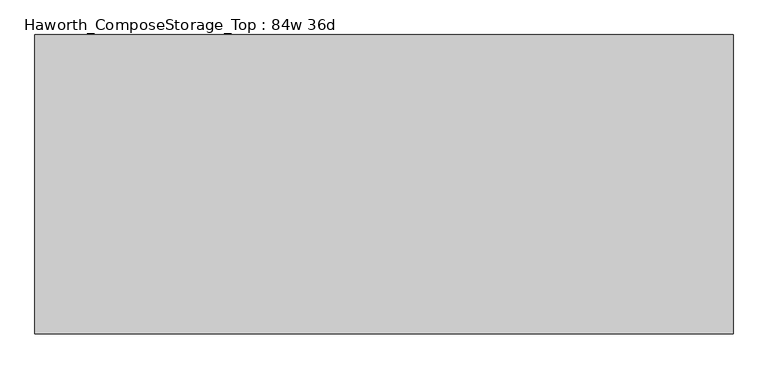
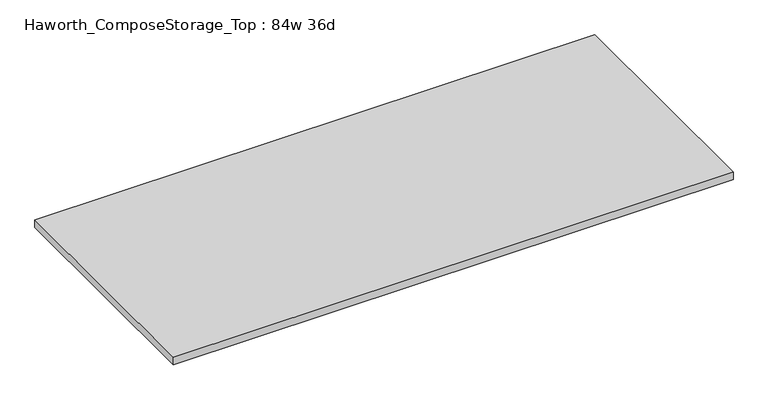
"""IFC4 building model written with IfcOpenShell, lengths in millimetres: furniture geometry, Haworth_ComposeStorage_Top : 84w 36d."""

from ifc_helpers import new_model, si_unit, frame, origin, place, context, project, spatial, polyline, outline, extrude, source, transform, mapped, element, save


def haworth_composestorage_top_84w_36d_b1e86467(model_context):
    return source(origin(), model_context, "Body", "SweptSolid", [
        extrude(outline(polyline([(1066.8, 457.2), (1066.8, -457.2), (-1066.8, -457.2), (-1066.8, 457.2), (1066.8, 457.2)])), frame((0.0, 0.0, 706.4375), z_axis=(0.0, 0.0, 1.0), x_axis=(1.0, 0.0, 0.0)), (0.0, 0.0, 1.0), 30.1625),
    ])


if __name__ == "__main__":
    model = new_model("IFC4")
    model_context = context("Model", 3, world=origin())
    ifc_project = project(units=[si_unit("LENGTHUNIT", "METRE", prefix="MILLI")], contexts=[model_context])
    site = spatial("IfcSite", under=ifc_project)
    building = spatial("IfcBuilding", under=site)
    placement = place(None, origin())
    haworth_composestorage_top_84w_36d_shape = haworth_composestorage_top_84w_36d_b1e86467(model_context)
    element("IfcFurniture", 1, ObjectType="Haworth_ComposeStorage_Top : 84w 36d", at=placement, inside=building, context=model_context, shape_type="MappedRepresentation", body=[
        mapped(haworth_composestorage_top_84w_36d_shape, transform((0.0, 0.0, 0.0), x_axis=(1.0, 0.0, 0.0), y_axis=(0.0, 1.0, 0.0), z_axis=(0.0, 0.0, 1.0))),
    ])
    save(model, "model.ifc")
